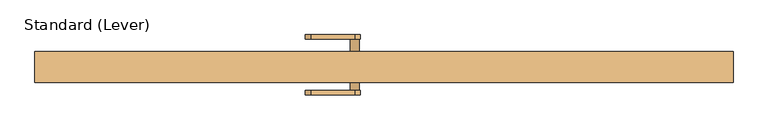
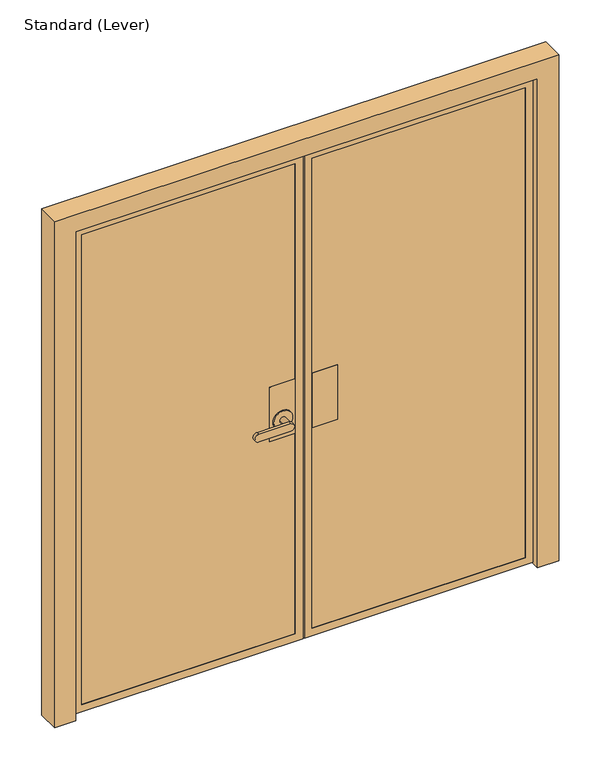
"""IFC4 building model written with IfcOpenShell, lengths in millimetres: door geometry, Standard (Lever)."""

import ifcopenshell
import ifcopenshell.guid

model = None  # the IFC model being written
_history = None  # IfcOwnerHistory: only IFC2X3 demands one
_inside = {}  # id of a spatial element -> (the spatial element, [elements in it])
_under = {}  # id of a project, library or spatial element -> (it, [spatial elements below it])
_declared = {}  # id of a project -> (the project, [libraries it declares])
_typed = {}  # id of a type object -> (the type object, [elements of that type])
_made_of = {}  # id of a material, layer set ... -> (it, [elements and type objects made of it])


def new_model(schema):
    """Start an empty IFC model of exactly this schema.

    Asked for "IFC4X3", IfcOpenShell would pick the latest addendum, in which some entities
    have other attributes; the version numbers below select the first issue.
    IFC2X3 requires an IfcOwnerHistory on every rooted entity: one is made here for all.
    """
    global model, _history
    if schema == "IFC4X3":
        model = ifcopenshell.file(schema_version=(4, 3, 0, 0))
    else:
        model = ifcopenshell.file(schema=schema)
    _inside.clear()
    _under.clear()
    _declared.clear()
    _typed.clear()
    _made_of.clear()
    _history = None
    if model.schema == "IFC2X3":
        org = make("IfcOrganization", Name="unknown")
        user = make(
            "IfcPersonAndOrganization",
            ThePerson=make("IfcPerson", FamilyName="unknown"),
            TheOrganization=org,
        )
        app = make(
            "IfcApplication",
            ApplicationDeveloper=org,
            Version="unknown",
            ApplicationFullName="unknown",
            ApplicationIdentifier="unknown",
        )
        _history = make(
            "IfcOwnerHistory",
            OwningUser=user,
            OwningApplication=app,
            ChangeAction="ADDED",
            CreationDate=0,
        )
    return model


def make(cls, **values):
    """One entity of the class cls with the attributes given. An attribute that is None is left unset."""
    return model.create_entity(
        cls, **{name: value for name, value in values.items() if value is not None}
    )


def rooted(cls, **values):
    """An entity with a GlobalId (a new one), such as an element, a storey or a relation."""
    return make(cls, GlobalId=ifcopenshell.guid.new(), OwnerHistory=_history, **values)


def si_unit(unit_type, name, prefix=None):
    """IfcSIUnit, for example si_unit("LENGTHUNIT", "METRE", prefix="MILLI")."""
    return make("IfcSIUnit", UnitType=unit_type, Prefix=prefix, Name=name)


def assignment(units):
    """IfcUnitAssignment: the units of a project."""
    return None if units is None else make("IfcUnitAssignment", Units=units)


def point(xyz):
    """IfcCartesianPoint."""
    return None if xyz is None else make("IfcCartesianPoint", Coordinates=xyz)


def direction(xyz):
    """IfcDirection."""
    return None if xyz is None else make("IfcDirection", DirectionRatios=xyz)


def frame(location, z_axis=None, x_axis=None):
    """IfcAxis2Placement3D, a coordinate frame: its origin and axes. An axis left out is left unset."""
    return make(
        "IfcAxis2Placement3D",
        Location=point(location),
        Axis=direction(z_axis),
        RefDirection=direction(x_axis),
    )


def origin():
    """The frame at (0, 0, 0) with its axes left unset."""
    return frame((0.0, 0.0, 0.0))


def place(relative_to, where):
    """IfcLocalPlacement: puts the frame where relative to a parent placement (None: the world)."""
    return make(
        "IfcLocalPlacement", PlacementRelTo=relative_to, RelativePlacement=where
    )


def context(
    kind, dimensions, precision=None, world=None, true_north=None, identifier=None
):
    """IfcGeometricRepresentationContext, for example the 3D "Model" context."""
    return make(
        "IfcGeometricRepresentationContext",
        ContextIdentifier=identifier,
        ContextType=kind,
        CoordinateSpaceDimension=dimensions,
        Precision=precision,
        WorldCoordinateSystem=world,
        TrueNorth=true_north,
    )


def project(units=None, contexts=None):
    """IfcProject with its units and contexts."""
    return rooted(
        "IfcProject",
        Name="project",
        RepresentationContexts=contexts,
        UnitsInContext=assignment(units),
    )


def spatial(cls, under=None, at=None, **own):
    """A site, building, storey or space (cls), placed at a placement, below another one or the project."""
    s = rooted(cls, ObjectPlacement=at, **own)
    if under is not None:
        _under.setdefault(under.id(), (under, []))[1].append(s)
    return s


def polyline(points):
    """IfcPolyline through the points."""
    return make("IfcPolyline", Points=[point(p) for p in points])


def circle_curve(where, radius):
    """IfcCircle in the frame where."""
    return make("IfcCircle", Position=where, Radius=radius)


def outline(outer, holes=None, kind="AREA"):
    """IfcArbitraryClosedProfileDef: a profile drawn as a closed curve; with holes, ...WithVoids."""
    if holes is None:
        return make("IfcArbitraryClosedProfileDef", ProfileType=kind, OuterCurve=outer)
    return make(
        "IfcArbitraryProfileDefWithVoids",
        ProfileType=kind,
        OuterCurve=outer,
        InnerCurves=holes,
    )


def extrude(swept, where, along, depth):
    """IfcExtrudedAreaSolid: the profile swept, set in the frame where, extruded along a direction by depth."""
    return make(
        "IfcExtrudedAreaSolid",
        SweptArea=swept,
        Position=where,
        ExtrudedDirection=direction(along),
        Depth=depth,
    )


def faces_of(points, faces, orient=None, outer=None):
    """IfcFace entities. A face is a list of loops; a loop is a list of indices into points, from 0.

    orient and outer hold one flag for each loop. By default every Orientation is true, the
    first loop of a face is its IfcFaceOuterBound and the others are IfcFaceBound.
    """
    made = []
    for i, loops in enumerate(faces):
        bounds = []
        for j, loop in enumerate(loops):
            is_outer = j == 0 if outer is None else outer[i][j]
            bounds.append(
                make(
                    "IfcFaceOuterBound" if is_outer else "IfcFaceBound",
                    Bound=make("IfcPolyLoop", Polygon=[points[k] for k in loop]),
                    Orientation=True if orient is None else orient[i][j],
                )
            )
        made.append(make("IfcFace", Bounds=bounds))
    return made


def faceted_brep(points, faces, orient=None, outer=None, voids=None):
    """IfcFacetedBrep: a solid bounded by flat faces; with voids (closed shells), ...WithVoids."""
    shared = [point(p) for p in points]
    hull = make("IfcClosedShell", CfsFaces=faces_of(shared, faces, orient, outer))
    if voids is None:
        return make("IfcFacetedBrep", Outer=hull)
    return make(
        "IfcFacetedBrepWithVoids",
        Outer=hull,
        Voids=[
            make(cls, CfsFaces=faces_of(shared, fs, o, b)) for cls, fs, o, b in voids
        ],
    )


def shape(context_of_items, identifier, shape_type, items):
    """IfcShapeRepresentation: the items that make up one representation, for example the "Body"."""
    return make(
        "IfcShapeRepresentation",
        ContextOfItems=context_of_items,
        RepresentationIdentifier=identifier,
        RepresentationType=shape_type,
        Items=items,
    )


def source(mapping_origin, context_of_items, identifier, shape_type, items):
    """IfcRepresentationMap: a shape defined once, which mapped items show again and again."""
    return make(
        "IfcRepresentationMap",
        MappingOrigin=mapping_origin,
        MappedRepresentation=shape(context_of_items, identifier, shape_type, items),
    )


def transform(
    local_origin,
    x_axis=None,
    y_axis=None,
    z_axis=None,
    scale=None,
    scale2=None,
    scale3=None,
    uniform=True,
):
    """IfcCartesianTransformationOperator3D, or its non-uniform kind. x_axis, y_axis, z_axis: its Axis1, 2, 3."""
    if uniform:
        return make(
            "IfcCartesianTransformationOperator3D",
            Axis1=direction(x_axis),
            Axis2=direction(y_axis),
            LocalOrigin=point(local_origin),
            Scale=scale,
            Axis3=direction(z_axis),
        )
    return make(
        "IfcCartesianTransformationOperator3DnonUniform",
        Axis1=direction(x_axis),
        Axis2=direction(y_axis),
        LocalOrigin=point(local_origin),
        Scale=scale,
        Axis3=direction(z_axis),
        Scale2=scale2,
        Scale3=scale3,
    )


def mapped(mapping_source, mapping_target):
    """IfcMappedItem: shows the shape of a source again, moved by a transform."""
    return make(
        "IfcMappedItem", MappingSource=mapping_source, MappingTarget=mapping_target
    )


def made_of(thing, what):
    """Note that an element or type object is made of a material, layer set ...; save() writes the relation."""
    if what is not None:
        _made_of.setdefault(what.id(), (what, []))[1].append(thing)
    return thing


def element(
    cls,
    number,
    at=None,
    inside=None,
    cuts=None,
    type_object=None,
    material=None,
    context=None,
    identifier="Body",
    shape_type=None,
    held_by="IfcProductDefinitionShape",
    body=None,
    shapes=None,
    **own,
):
    """One element of the class cls, such as IfcWall. Its Tag is "e" and its number.

    at: its placement. inside: the storey or other place that contains it. cuts: it is an
    opening in that element (IfcRelVoidsElement). A single representation is given by context,
    identifier, shape_type and body (its items); several are given by shapes. held_by: the class
    of the entity that holds the representations. save() writes the other relations.
    """
    e = rooted(cls, Tag="e%d" % number, ObjectPlacement=at, **own)
    if body is not None:
        shapes = [shape(context, identifier, shape_type, body)]
    if shapes is not None:
        e.Representation = make(held_by, Representations=shapes)
    if inside is not None:
        _inside.setdefault(inside.id(), (inside, []))[1].append(e)
    if cuts is not None:
        rooted(
            "IfcRelVoidsElement", RelatingBuildingElement=cuts, RelatedOpeningElement=e
        )
    if type_object is not None:
        _typed.setdefault(type_object.id(), (type_object, []))[1].append(e)
    return made_of(e, material)


def aggregate(whole, parts):
    """IfcRelAggregates: a whole, such as a stair, and the parts it consists of."""
    return rooted("IfcRelAggregates", RelatingObject=whole, RelatedObjects=parts)


def save(model, path):
    """Write the relations noted so far, then the file.

    IfcRelAggregates (storeys below a building ...), IfcRelContainedInSpatialStructure (elements
    in a storey), IfcRelDefinesByType, IfcRelAssociatesMaterial and IfcRelDeclares: one each for
    every whole, place, type object, material and project.
    """
    for whole, parts in _under.values():
        aggregate(whole, parts)
    for where, things in _inside.values():
        rooted(
            "IfcRelContainedInSpatialStructure",
            RelatedElements=things,
            RelatingStructure=where,
        )
    for kind, things in _typed.values():
        rooted("IfcRelDefinesByType", RelatedObjects=things, RelatingType=kind)
    for what, things in _made_of.values():
        rooted("IfcRelAssociatesMaterial", RelatedObjects=things, RelatingMaterial=what)
    for by, libraries in _declared.values():
        rooted("IfcRelDeclares", RelatingContext=by, RelatedDefinitions=libraries)
    model.write(path)


def plane_surface(at):
    """IfcPlane: the flat surface through the origin of the frame at, square to its z axis."""
    return make("IfcPlane", Position=at)


def cylinder_surface(at, radius):
    """IfcCylindricalSurface: all points at the distance radius from the z axis of the frame at."""
    return make("IfcCylindricalSurface", Position=at, Radius=radius)


def advanced_brep(points, edges, surfaces, faces):
    """IfcAdvancedBrep: a solid bounded by faces that lie on surfaces and meet in shared edges.

    An edge is (start, end): straight between two places in points (the first is 0);
    or (start, end, curve); or (start, end, curve, False) where it runs against its curve.
    A face is (place in surfaces, loops), or (place, loops, False) where it looks against
    its surface's normal. A loop lists edges by number (the first is 1), with a minus sign
    where the edge is run from its end to its start. The first loop is the outer one.
    """
    corners = [point(p) for p in points]
    vertices = [make("IfcVertexPoint", VertexGeometry=c) for c in corners]
    made = []
    for start, end, *more in edges:
        made.append(
            make(
                "IfcEdgeCurve",
                EdgeStart=vertices[start],
                EdgeEnd=vertices[end],
                EdgeGeometry=more[0] if more else make("IfcPolyline", Points=[corners[start], corners[end]]),
                SameSense=more[1] if len(more) > 1 else True,
            )
        )
    hull = []
    for where, loops, *sense in faces:
        bounds = []
        for j, loop in enumerate(loops):
            ring = [make("IfcOrientedEdge", EdgeElement=made[abs(k) - 1], Orientation=k > 0) for k in loop]
            bounds.append(
                make(
                    "IfcFaceOuterBound" if j == 0 else "IfcFaceBound",
                    Bound=make("IfcEdgeLoop", EdgeList=ring),
                    Orientation=True,
                )
            )
        hull.append(make("IfcAdvancedFace", Bounds=bounds, FaceSurface=surfaces[where], SameSense=sense[0] if sense else True))
    return make("IfcAdvancedBrep", Outer=make("IfcClosedShell", CfsFaces=hull))


def standard_lever_0ba1e3d4(model_context):
    return source(origin(), model_context, "Body", "SolidModel", [
        extrude(outline(polyline([(-282.575, -11.90625), (-282.575, 24.60625), (-180.975, 24.60625), (-180.975, -11.90625), (-282.575, -11.90625)])), frame((0.0, 0.0, 889.0), z_axis=(0.0, 0.0, 1.0), x_axis=(1.0, 0.0, 0.0)), (0.0, 0.0, 1.0), 228.6),
        extrude(outline(polyline([(-282.575, 34.13125), (-282.575, 35.71875), (-180.975, 35.71875), (-180.975, 34.13125), (-282.575, 34.13125)])), frame((0.0, 0.0, 889.0), z_axis=(0.0, 0.0, 1.0), x_axis=(1.0, 0.0, 0.0)), (0.0, 0.0, 1.0), 228.6),
        extrude(outline(polyline([(-282.575, -23.01875), (-282.575, -21.43125), (-180.975, -21.43125), (-180.975, -23.01875), (-282.575, -23.01875)])), frame((0.0, 0.0, 889.0), z_axis=(0.0, 0.0, 1.0), x_axis=(1.0, 0.0, 0.0)), (0.0, 0.0, 1.0), 228.6),
        faceted_brep([(-349.25, -11.90625, 1117.6), (-349.25, 24.60625, 1117.6), (-450.85, 24.60625, 1117.6), (-450.85, -11.90625, 1117.6), (-349.25, -11.90625, 889.0), (-450.85, -11.90625, 889.0), (-450.85, 24.60625, 889.0), (-349.25, 24.60625, 889.0)], [[[0, 1, 2, 3]], [[4, 5, 6, 7]], [[1, 0, 4, 7]], [[2, 1, 7, 6]], [[3, 2, 6, 5]], [[0, 3, 5, 4]]]),
        advanced_brep(
        [(-349.25, 34.13125, 1117.6), (-349.25, 35.71875, 1117.6), (-450.85, 35.71875, 1117.6), (-450.85, 34.13125, 1117.6), (-349.25, 34.13125, 889.0), (-450.85, 34.13125, 889.0), (-450.85, 35.71875, 889.0), (-349.25, 35.71875, 889.0), (-438.15, 35.71875, 965.2), (-361.95, 35.71875, 965.2), (-361.95, 40.48125, 965.2), (-438.15, 40.48125, 965.2), (-412.75, 40.48125, 965.2), (-387.35, 40.48125, 965.2), (-387.35, 80.16875, 965.2), (-412.75, 80.16875, 965.2), (-527.05, 92.86875, 949.325), (-527.05, 92.86875, 981.075), (-400.05, 92.86875, 981.075), (-400.05, 92.86875, 949.325), (-527.05, 80.16875, 949.325), (-400.05, 80.16875, 949.325), (-400.05, 80.16875, 981.075), (-527.05, 80.16875, 981.075)],
        [
            (0, 1),
            (1, 2),
            (2, 3),
            (3, 0),
            (4, 5),
            (5, 6),
            (6, 7),
            (7, 4),
            (0, 4),
            (7, 1),
            (6, 2),
            (8, 9, circle_curve(frame((-400.05, 35.71875, 965.2), z_axis=(0.0, -1.0, 0.0), x_axis=(-1.0, 0.0, 0.0)), 38.1)),
            (9, 8, circle_curve(frame((-400.05, 35.71875, 965.2), z_axis=(0.0, -1.0, 0.0), x_axis=(-1.0, 0.0, 0.0)), 38.1)),
            (5, 3),
            (10, 11, circle_curve(frame((-400.05, 40.48125, 965.2), z_axis=(0.0, 1.0, 0.0), x_axis=(-1.0, 0.0, 0.0)), 38.1)),
            (11, 10, circle_curve(frame((-400.05, 40.48125, 965.2), z_axis=(0.0, 1.0, 0.0), x_axis=(-1.0, 0.0, 0.0)), 38.1)),
            (12, 13, circle_curve(frame((-400.05, 40.48125, 965.2), z_axis=(0.0, -1.0, 0.0), x_axis=(-1.0, 0.0, 0.0)), 12.7)),
            (13, 12, circle_curve(frame((-400.05, 40.48125, 965.2), z_axis=(0.0, -1.0, 0.0), x_axis=(-1.0, 0.0, 0.0)), 12.7)),
            (10, 9),
            (8, 11),
            (14, 13),
            (12, 15),
            (15, 14, circle_curve(frame((-400.05, 80.16875, 965.2), z_axis=(0.0, -1.0, 0.0), x_axis=(-1.0, 0.0, 0.0)), 12.7)),
            (14, 15, circle_curve(frame((-400.05, 80.16875, 965.2), z_axis=(0.0, -1.0, 0.0), x_axis=(-1.0, 0.0, 0.0)), 12.7)),
            (16, 17, circle_curve(frame((-527.05, 92.86875, 965.2), z_axis=(0.0, 1.0, 0.0), x_axis=(-1.0, 0.0, 0.0)), 15.875)),
            (17, 18),
            (18, 19, circle_curve(frame((-400.05, 92.86875, 965.2), z_axis=(0.0, 1.0, 0.0), x_axis=(-1.0, 0.0, 0.0)), 15.875)),
            (19, 16),
            (20, 21),
            (21, 22, circle_curve(frame((-400.05, 80.16875, 965.2), z_axis=(0.0, -1.0, 0.0), x_axis=(-1.0, 0.0, 0.0)), 15.875)),
            (22, 23),
            (23, 20, circle_curve(frame((-527.05, 80.16875, 965.2), z_axis=(0.0, -1.0, 0.0), x_axis=(-1.0, 0.0, 0.0)), 15.875)),
            (16, 20),
            (23, 17),
            (22, 18),
            (21, 19),
        ],
        [
            plane_surface(frame((-349.25, -23.01875, 1117.6), z_axis=(0.0, 0.0, 1.0), x_axis=(0.0, 1.0, 0.0))),
            plane_surface(frame((-349.25, -23.01875, 889.0), z_axis=(0.0, 0.0, -1.0), x_axis=(0.0, -1.0, 0.0))),
            plane_surface(frame((-349.25, 34.13125, 1117.6), z_axis=(1.0, 0.0, 0.0), x_axis=(0.0, 0.0, -1.0))),
            plane_surface(frame((-349.25, 35.71875, 1117.6), z_axis=(0.0, 1.0, 0.0), x_axis=(0.0, 0.0, -1.0))),
            plane_surface(frame((-450.85, 35.71875, 1117.6), z_axis=(-1.0, 0.0, 0.0), x_axis=(0.0, 0.0, -1.0))),
            plane_surface(frame((-450.85, 34.13125, 1117.6), z_axis=(0.0, -1.0, 0.0), x_axis=(0.0, 0.0, -1.0))),
            plane_surface(frame((-438.15, 40.48125, 965.2), z_axis=(0.0, 1.0, 0.0), x_axis=(0.0, 0.0, 1.0))),
            cylinder_surface(frame((-400.05, 35.71875, 965.2), z_axis=(0.0, 1.0, 0.0), x_axis=(-1.0, 0.0, 0.0)), 38.1),
            cylinder_surface(frame((-400.05, 35.71875, 965.2), z_axis=(0.0, 1.0, 0.0), x_axis=(-1.0, 0.0, 0.0)), 12.7),
            plane_surface(frame((-542.925, 92.86875, 965.2), z_axis=(0.0, 1.0, 0.0), x_axis=(0.0, 0.0, 1.0))),
            plane_surface(frame((-542.925, 80.16875, 965.2), z_axis=(0.0, -1.0, 0.0), x_axis=(0.0, 0.0, -1.0))),
            cylinder_surface(frame((-527.05, 80.16875, 965.2), z_axis=(0.0, 1.0, 0.0), x_axis=(-1.0, 0.0, 0.0)), 15.875),
            plane_surface(frame((-527.05, 92.86875, 981.075), z_axis=(0.0, 0.0, 1.0), x_axis=(0.0, -1.0, 0.0))),
            cylinder_surface(frame((-400.05, 80.16875, 965.2), z_axis=(0.0, 1.0, 0.0), x_axis=(-1.0, 0.0, 0.0)), 15.875),
            plane_surface(frame((-400.05, 92.86875, 949.325), z_axis=(0.0, 0.0, -1.0), x_axis=(0.0, -1.0, 0.0))),
        ],
        [
            (0, [[1, 2, 3, 4]]),
            (1, [[5, 6, 7, 8]]),
            (2, [[-1, 9, -8, 10]]),
            (3, [[-2, -10, -7, 11], [12, 13]]),
            (4, [[-3, -11, -6, 14]]),
            (5, [[-4, -14, -5, -9]]),
            (6, [[15, 16], [17, 18]]),
            (7, [[-15, 19, -12, 20]]),
            (7, [[-16, -20, -13, -19]]),
            (8, [[21, -17, 22, 23]]),
            (8, [[-21, 24, -22, -18]]),
            (9, [[25, 26, 27, 28]]),
            (10, [[29, 30, 31, 32], [-23, -24]]),
            (11, [[-25, 33, -32, 34]]),
            (12, [[-26, -34, -31, 35]]),
            (13, [[-27, -35, -30, 36]]),
            (14, [[-28, -36, -29, -33]]),
        ],
    ),
        advanced_brep(
        [(-349.25, -23.01875, 1117.6), (-349.25, -21.43125, 1117.6), (-450.787822, -21.43125, 1117.6), (-450.787822, -23.01875, 1117.6), (-349.25, -23.01875, 889.0), (-450.787822, -23.01875, 889.0), (-450.787822, -21.43125, 889.0), (-349.25, -21.43125, 889.0), (-387.35, -27.78125, 965.2), (-387.35, -67.46875, 965.2), (-412.75, -67.46875, 965.2), (-412.75, -27.78125, 965.2), (-361.95, -27.78125, 965.2), (-438.15, -27.78125, 965.2), (-438.15, -23.01875, 965.2), (-361.95, -23.01875, 965.2), (-400.05, -67.46875, 949.325), (-527.05, -67.46875, 949.325), (-527.05, -67.46875, 981.075), (-400.05, -67.46875, 981.075), (-400.05, -80.16875, 949.325), (-400.05, -80.16875, 981.075), (-527.05, -80.16875, 981.075), (-527.05, -80.16875, 949.325)],
        [
            (0, 1),
            (1, 2),
            (2, 3),
            (3, 0),
            (4, 5),
            (5, 6),
            (6, 7),
            (7, 4),
            (8, 9),
            (9, 10, circle_curve(frame((-400.05, -67.46875, 965.2), z_axis=(0.0, 1.0, 0.0), x_axis=(-1.0, 0.0, 0.0)), 12.7)),
            (10, 11),
            (11, 8, circle_curve(frame((-400.05, -27.78125, 965.2), z_axis=(0.0, -1.0, 0.0), x_axis=(-1.0, 0.0, 0.0)), 12.7)),
            (8, 11, circle_curve(frame((-400.05, -27.78125, 965.2), z_axis=(0.0, -1.0, 0.0), x_axis=(-1.0, 0.0, 0.0)), 12.7)),
            (10, 9, circle_curve(frame((-400.05, -67.46875, 965.2), z_axis=(0.0, 1.0, 0.0), x_axis=(-1.0, 0.0, 0.0)), 12.7)),
            (12, 13, circle_curve(frame((-400.05, -27.78125, 965.2), z_axis=(0.0, -1.0, 0.0), x_axis=(-1.0, 0.0, 0.0)), 38.1)),
            (13, 12, circle_curve(frame((-400.05, -27.78125, 965.2), z_axis=(0.0, -1.0, 0.0), x_axis=(-1.0, 0.0, 0.0)), 38.1)),
            (13, 14),
            (14, 15, circle_curve(frame((-400.05, -23.01875, 965.2), z_axis=(0.0, -1.0, 0.0), x_axis=(-1.0, 0.0, 0.0)), 38.1)),
            (15, 12),
            (15, 14, circle_curve(frame((-400.05, -23.01875, 965.2), z_axis=(0.0, -1.0, 0.0), x_axis=(-1.0, 0.0, 0.0)), 38.1)),
            (16, 17),
            (17, 18, circle_curve(frame((-527.05, -67.46875, 965.2), z_axis=(0.0, 1.0, 0.0), x_axis=(-1.0, 0.0, 0.0)), 15.875)),
            (18, 19),
            (19, 16, circle_curve(frame((-400.05, -67.46875, 965.2), z_axis=(0.0, 1.0, 0.0), x_axis=(-1.0, 0.0, 0.0)), 15.875)),
            (20, 21, circle_curve(frame((-400.05, -80.16875, 965.2), z_axis=(0.0, -1.0, 0.0), x_axis=(-1.0, 0.0, 0.0)), 15.875)),
            (21, 22),
            (22, 23, circle_curve(frame((-527.05, -80.16875, 965.2), z_axis=(0.0, -1.0, 0.0), x_axis=(-1.0, 0.0, 0.0)), 15.875)),
            (23, 20),
            (16, 20),
            (23, 17),
            (22, 18),
            (21, 19),
            (0, 4),
            (7, 1),
            (6, 2),
            (5, 3),
        ],
        [
            plane_surface(frame((-349.25, -23.01875, 1117.6), z_axis=(0.0, 0.0, 1.0), x_axis=(0.0, 1.0, 0.0))),
            plane_surface(frame((-349.25, -23.01875, 889.0), z_axis=(0.0, 0.0, -1.0), x_axis=(0.0, -1.0, 0.0))),
            cylinder_surface(frame((-400.05, -67.46875, 965.2), z_axis=(0.0, 1.0, 0.0), x_axis=(-1.0, 0.0, 0.0)), 12.7),
            plane_surface(frame((-438.15, -27.78125, 965.2), z_axis=(0.0, -1.0, 0.0), x_axis=(0.0, 0.0, -1.0))),
            cylinder_surface(frame((-400.05, -27.78125, 965.2), z_axis=(0.0, 1.0, 0.0), x_axis=(-1.0, 0.0, 0.0)), 38.1),
            plane_surface(frame((-400.05, -67.46875, 949.325), z_axis=(0.0, 1.0, 0.0), x_axis=(-1.0, 0.0, 0.0))),
            plane_surface(frame((-400.05, -80.16875, 949.325), z_axis=(0.0, -1.0, 0.0), x_axis=(1.0, 0.0, 0.0))),
            plane_surface(frame((-400.05, -67.46875, 949.325), z_axis=(0.0, 0.0, -1.0), x_axis=(0.0, -1.0, 0.0))),
            cylinder_surface(frame((-527.05, -80.16875, 965.2), z_axis=(0.0, 1.0, 0.0), x_axis=(-1.0, 0.0, 0.0)), 15.875),
            plane_surface(frame((-527.05, -67.46875, 981.075), z_axis=(0.0, 0.0, 1.0), x_axis=(0.0, -1.0, 0.0))),
            cylinder_surface(frame((-400.05, -80.16875, 965.2), z_axis=(0.0, 1.0, 0.0), x_axis=(-1.0, 0.0, 0.0)), 15.875),
            plane_surface(frame((-349.25, -23.01875, 1117.6), z_axis=(1.0, 0.0, 0.0), x_axis=(0.0, 0.0, -1.0))),
            plane_surface(frame((-349.25, -21.43125, 1117.6), z_axis=(0.0, 1.0, 0.0), x_axis=(0.0, 0.0, -1.0))),
            plane_surface(frame((-450.787822, -21.43125, 1117.6), z_axis=(-1.0, 0.0, 0.0), x_axis=(0.0, 0.0, -1.0))),
            plane_surface(frame((-450.787822, -23.01875, 1117.6), z_axis=(0.0, -1.0, 0.0), x_axis=(0.0, 0.0, -1.0))),
        ],
        [
            (0, [[1, 2, 3, 4]]),
            (1, [[5, 6, 7, 8]]),
            (2, [[9, 10, 11, 12]]),
            (2, [[-9, 13, -11, 14]]),
            (3, [[15, 16], [-12, -13]]),
            (4, [[-16, 17, 18, 19]]),
            (4, [[-15, -19, 20, -17]]),
            (5, [[21, 22, 23, 24], [-10, -14]]),
            (6, [[25, 26, 27, 28]]),
            (7, [[-21, 29, -28, 30]]),
            (8, [[-22, -30, -27, 31]]),
            (9, [[-23, -31, -26, 32]]),
            (10, [[-24, -32, -25, -29]]),
            (11, [[-1, 33, -8, 34]]),
            (12, [[-2, -34, -7, 35]]),
            (13, [[-3, -35, -6, 36]]),
            (14, [[-4, -36, -5, -33], [-18, -20]]),
        ],
    ),
        faceted_brep([(-1200.15, 24.60625, 2024.0625), (-1200.15, -11.90625, 2024.0625), (-1200.15, -11.90625, 42.8625), (-1200.15, 24.60625, 42.8625), (-1212.85, -11.90625, 30.1625), (-336.55, -11.90625, 30.1625), (-336.55, -11.90625, 2036.7625), (-1212.85, -11.90625, 2036.7625), (-349.25, -11.90625, 2024.0625), (-349.25, -11.90625, 42.8625), (-349.25, 24.60625, 42.8625), (-1212.85, 24.60625, 30.1625), (-1212.85, 24.60625, 2036.7625), (-336.55, 24.60625, 2036.7625), (-336.55, 24.60625, 30.1625), (-349.25, 24.60625, 2024.0625), (-1212.85, 34.13125, 2036.7625), (-1212.85, 34.13125, 30.1625), (-336.55, 34.13125, 30.1625), (-336.55, 34.13125, 2036.7625), (-1200.15, 34.13125, 42.8625), (-1200.15, 34.13125, 2024.0625), (-349.25, 34.13125, 2024.0625), (-349.25, 34.13125, 42.8625), (-1200.15, 35.71875, 2024.0625), (-1200.15, 35.71875, 42.8625), (-349.25, 35.71875, 42.8625), (-1214.4375, 35.71875, 28.575), (-1214.4375, 35.71875, 2038.35), (-319.0875, 35.71875, 2038.35), (-319.0875, 35.71875, 28.575), (-349.25, 35.71875, 2024.0625), (-1214.4375, 21.43125, 2038.35), (-1214.4375, 21.43125, 28.575), (-319.0875, 21.43125, 28.575), (-319.0875, 21.43125, 12.7), (-1230.3125, 21.43125, 12.7), (-1230.3125, 21.43125, 2054.225), (-319.0875, 21.43125, 2054.225), (-319.0875, 21.43125, 2038.35), (-1230.3125, -23.01875, 2054.225), (-1230.3125, -23.01875, 12.7), (-319.0875, -23.01875, 12.7), (-319.0875, -23.01875, 2054.225), (-349.25, -23.01875, 42.8625), (-1200.15, -23.01875, 42.8625), (-1200.15, -23.01875, 2024.0625), (-349.25, -23.01875, 2024.0625), (-349.25, -21.43125, 42.8625), (-1200.15, -21.43125, 42.8625), (-1200.15, -21.43125, 2024.0625), (-349.25, -21.43125, 2024.0625), (-336.55, -21.43125, 30.1625), (-1212.85, -21.43125, 30.1625), (-1212.85, -21.43125, 2036.7625), (-336.55, -21.43125, 2036.7625)], [[[0, 1, 2, 3]], [[4, 5, 6, 7], [2, 1, 8, 9]], [[3, 2, 9, 10]], [[11, 12, 13, 14], [0, 3, 10, 15]], [[16, 12, 11, 17]], [[17, 11, 14, 18]], [[16, 17, 18, 19], [20, 21, 22, 23]], [[24, 21, 20, 25]], [[25, 20, 23, 26]], [[27, 28, 29, 30], [24, 25, 26, 31]], [[32, 28, 27, 33]], [[33, 27, 30, 34]], [[32, 33, 34, 35, 36, 37, 38, 39]], [[40, 37, 36, 41]], [[41, 36, 35, 42]], [[40, 41, 42, 43], [44, 45, 46, 47]], [[8, 15, 10, 9]], [[13, 19, 18, 14]], [[22, 31, 26, 23]], [[38, 43, 42, 35, 34, 30, 29, 39]], [[45, 44, 48, 49]], [[46, 45, 49, 50]], [[44, 47, 51, 48]], [[52, 53, 54, 55], [49, 48, 51, 50]], [[53, 4, 7, 54]], [[4, 53, 52, 5]], [[5, 52, 55, 6]], [[1, 0, 15, 8]], [[12, 16, 19, 13]], [[21, 24, 31, 22]], [[28, 32, 39, 29]], [[37, 40, 43, 38]], [[47, 46, 50, 51]], [[6, 55, 54, 7]]]),
        faceted_brep([(-312.7375, 21.43125, 28.575), (-312.7375, 35.71875, 28.575), (582.6125, 35.71875, 28.575), (582.6125, 21.43125, 28.575), (-312.7375, 21.43125, 2038.35), (-312.7375, 35.71875, 2038.35), (-312.7375, 21.43125, 12.7), (-312.7375, -23.01875, 12.7), (-312.7375, -23.01875, 2054.225), (-312.7375, 21.43125, 2054.225), (582.6125, 35.71875, 2038.35), (568.325, 35.71875, 42.8625), (568.325, 35.71875, 2024.0625), (-282.575, 35.71875, 2024.0625), (-282.575, 35.71875, 42.8625), (582.6125, 21.43125, 2038.35), (598.4875, 21.43125, 2054.225), (598.4875, 21.43125, 12.7), (568.325, 34.13125, 2024.0625), (568.325, 34.13125, 42.8625), (-282.575, 34.13125, 42.8625), (-282.575, 34.13125, 2024.0625), (598.4875, -23.01875, 12.7), (598.4875, -23.01875, 2054.225), (568.325, -23.01875, 42.8625), (-282.575, -23.01875, 42.8625), (-282.575, -23.01875, 2024.0625), (568.325, -23.01875, 2024.0625), (581.025, 34.13125, 30.1625), (581.025, 34.13125, 2036.7625), (-295.275, 34.13125, 2036.7625), (-295.275, 34.13125, 30.1625), (581.025, 24.60625, 2036.7625), (581.025, 24.60625, 30.1625), (-295.275, 24.60625, 30.1625), (-295.275, 24.60625, 2036.7625), (568.325, 24.60625, 42.8625), (568.325, 24.60625, 2024.0625), (-282.575, 24.60625, 2024.0625), (-282.575, 24.60625, 42.8625), (568.325, -11.90625, 2024.0625), (568.325, -11.90625, 42.8625), (-282.575, -11.90625, 42.8625), (581.025, -11.90625, 30.1625), (581.025, -11.90625, 2036.7625), (-295.275, -11.90625, 2036.7625), (-295.275, -11.90625, 30.1625), (-282.575, -11.90625, 2024.0625), (568.325, -21.43125, 42.8625), (-282.575, -21.43125, 42.8625), (-282.575, -21.43125, 2024.0625), (568.325, -21.43125, 2024.0625), (581.025, -21.43125, 2036.7625), (581.025, -21.43125, 30.1625), (-295.275, -21.43125, 30.1625), (-295.275, -21.43125, 2036.7625)], [[[0, 1, 2, 3]], [[4, 5, 1, 0, 6, 7, 8, 9]], [[5, 10, 2, 1], [11, 12, 13, 14]], [[10, 15, 3, 2]], [[16, 17, 6, 0, 3, 15, 4, 9]], [[18, 12, 11, 19]], [[20, 14, 13, 21]], [[19, 11, 14, 20]], [[17, 22, 7, 6]], [[22, 23, 8, 7], [24, 25, 26, 27]], [[16, 23, 22, 17]], [[28, 29, 30, 31], [18, 19, 20, 21]], [[32, 29, 28, 33]], [[33, 28, 31, 34]], [[32, 33, 34, 35], [36, 37, 38, 39]], [[40, 37, 36, 41]], [[41, 36, 39, 42]], [[43, 44, 45, 46], [40, 41, 42, 47]], [[34, 31, 30, 35]], [[42, 39, 38, 47]], [[25, 24, 48, 49]], [[26, 25, 49, 50]], [[24, 27, 51, 48]], [[52, 44, 43, 53]], [[53, 43, 46, 54]], [[52, 53, 54, 55], [48, 51, 50, 49]], [[54, 46, 45, 55]], [[5, 4, 15, 10]], [[23, 16, 9, 8]], [[12, 18, 21, 13]], [[29, 32, 35, 30]], [[37, 40, 47, 38]], [[44, 52, 55, 45]], [[27, 26, 50, 51]]]),
        extrude(outline(polyline([(-295.275, 24.60625), (-295.275, 34.13125), (581.025, 34.13125), (581.025, 24.60625), (-295.275, 24.60625)])), frame((0.0, 0.0, 30.1625), z_axis=(0.0, 0.0, 1.0), x_axis=(1.0, 0.0, 0.0)), (0.0, 0.0, 1.0), 2006.6),
        extrude(outline(polyline([(-295.275, -11.90625), (581.025, -11.90625), (581.025, -21.43125), (-295.275, -21.43125), (-295.275, -11.90625)])), frame((0.0, 0.0, 30.1625), z_axis=(0.0, 0.0, 1.0), x_axis=(1.0, 0.0, 0.0)), (0.0, 0.0, 1.0), 2006.6),
        extrude(outline(polyline([(-336.55, 34.13125), (-336.55, 24.60625), (-1212.85, 24.60625), (-1212.85, 34.13125), (-336.55, 34.13125)])), frame((0.0, 0.0, 30.1625), z_axis=(0.0, 0.0, 1.0), x_axis=(1.0, 0.0, 0.0)), (0.0, 0.0, 1.0), 2006.6),
        extrude(outline(polyline([(-1212.85, -11.90625), (-336.55, -11.90625), (-336.55, -21.43125), (-1212.85, -21.43125), (-1212.85, -11.90625)])), frame((0.0, 0.0, 30.1625), z_axis=(0.0, 0.0, 1.0), x_axis=(1.0, 0.0, 0.0)), (0.0, 0.0, 1.0), 2006.6),
        faceted_brep([(604.8375, 44.45, 0.0), (688.975, 44.45, 0.0), (688.975, -44.45, 0.0), (604.8375, -44.45, 0.0), (604.8375, 26.9875, 0.0), (590.55, 26.9875, 0.0), (590.55, 38.1, 0.0), (604.8375, 38.1, 0.0), (604.8375, 44.45, 2060.575), (-1236.6625, 44.45, 2060.575), (-1236.6625, 44.45, 0.0), (-1320.8, 44.45, 0.0), (-1320.8, 44.45, 2133.6), (688.975, 44.45, 2133.6), (688.975, -44.45, 2133.6), (-1320.8, -44.45, 2133.6), (-1320.8, -44.45, 0.0), (-1236.6625, -44.45, 0.0), (-1236.6625, -44.45, 2060.575), (604.8375, -44.45, 2060.575), (604.8375, 26.9875, 2060.575), (-1236.6625, 26.9875, 2060.575), (-1236.6625, 26.9875, 0.0), (-1222.375, 26.9875, 0.0), (-1222.375, 26.9875, 2046.2875), (590.55, 26.9875, 2046.2875), (590.55, 38.1, 2046.2875), (-1222.375, 38.1, 2046.2875), (-1222.375, 38.1, 0.0), (-1236.6625, 38.1, 0.0), (-1236.6625, 38.1, 2060.575), (604.8375, 38.1, 2060.575)], [[[0, 1, 2, 3, 4, 5, 6, 7]], [[1, 0, 8, 9, 10, 11, 12, 13]], [[2, 1, 13, 14]], [[3, 2, 14, 15, 16, 17, 18, 19]], [[4, 3, 19, 20]], [[5, 4, 20, 21, 22, 23, 24, 25]], [[6, 5, 25, 26]], [[7, 6, 26, 27, 28, 29, 30, 31]], [[0, 7, 31, 8]], [[10, 29, 28, 23, 22, 17, 16, 11]], [[11, 16, 15, 12]], [[30, 29, 10, 9]], [[23, 28, 27, 24]], [[17, 22, 21, 18]], [[15, 14, 13, 12]], [[21, 20, 19, 18]], [[26, 25, 24, 27]], [[8, 31, 30, 9]]]),
    ])


if __name__ == "__main__":
    model = new_model("IFC4")
    model_context = context("Model", 3, world=origin())
    ifc_project = project(units=[si_unit("LENGTHUNIT", "METRE", prefix="MILLI")], contexts=[model_context])
    site = spatial("IfcSite", under=ifc_project)
    building = spatial("IfcBuilding", under=site)
    placement = place(None, origin())
    standard_lever_shape = standard_lever_0ba1e3d4(model_context)
    element("IfcDoor", 1, ObjectType="Standard (Lever)", at=placement, inside=building, context=model_context, shape_type="MappedRepresentation", body=[
        mapped(standard_lever_shape, transform((0.0, 0.0, 0.0), x_axis=(1.0, 0.0, 0.0), y_axis=(0.0, 1.0, 0.0), z_axis=(0.0, 0.0, 1.0))),
    ])
    save(model, "model.ifc")
